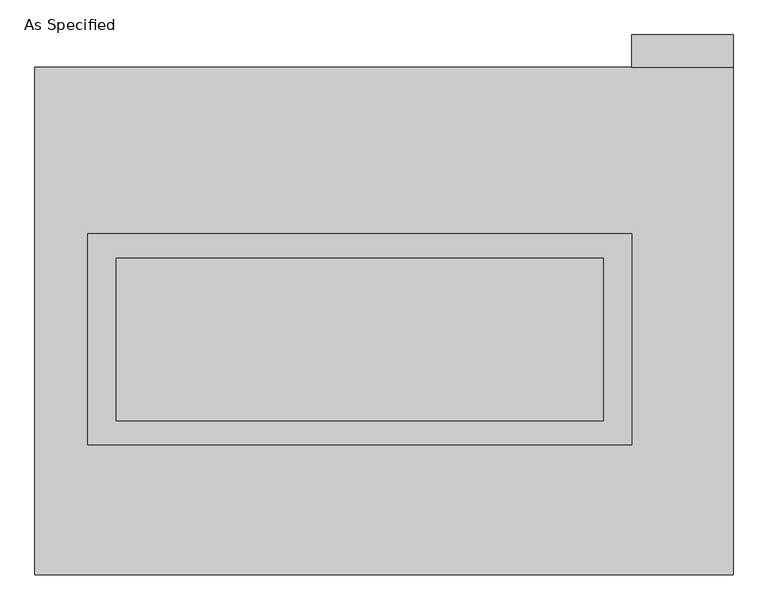
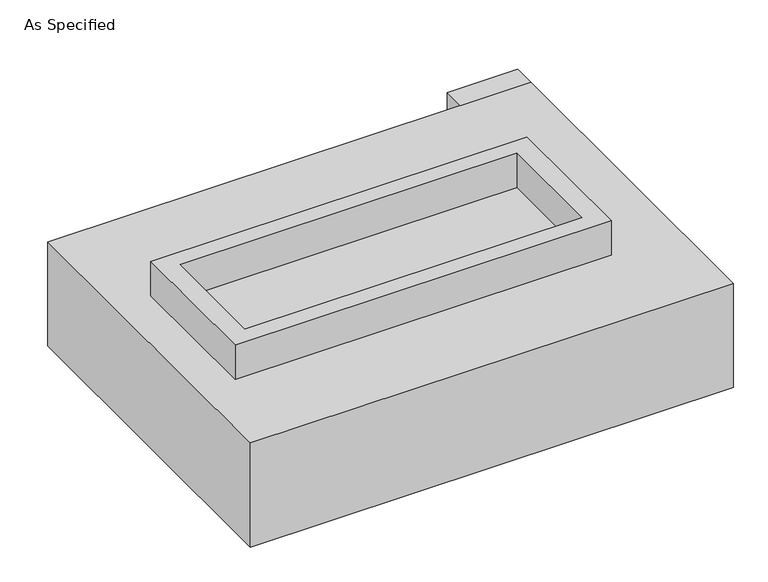
"""IFC4 building model written with IfcOpenShell, lengths in millimetres: proxy geometry, As Specified."""

import ifcopenshell
import ifcopenshell.guid

model = None  # the IFC model being written
_history = None  # IfcOwnerHistory: only IFC2X3 demands one
_inside = {}  # id of a spatial element -> (the spatial element, [elements in it])
_under = {}  # id of a project, library or spatial element -> (it, [spatial elements below it])
_declared = {}  # id of a project -> (the project, [libraries it declares])
_typed = {}  # id of a type object -> (the type object, [elements of that type])
_made_of = {}  # id of a material, layer set ... -> (it, [elements and type objects made of it])


def new_model(schema):
    """Start an empty IFC model of exactly this schema.

    Asked for "IFC4X3", IfcOpenShell would pick the latest addendum, in which some entities
    have other attributes; the version numbers below select the first issue.
    IFC2X3 requires an IfcOwnerHistory on every rooted entity: one is made here for all.
    """
    global model, _history
    if schema == "IFC4X3":
        model = ifcopenshell.file(schema_version=(4, 3, 0, 0))
    else:
        model = ifcopenshell.file(schema=schema)
    _inside.clear()
    _under.clear()
    _declared.clear()
    _typed.clear()
    _made_of.clear()
    _history = None
    if model.schema == "IFC2X3":
        org = make("IfcOrganization", Name="unknown")
        user = make(
            "IfcPersonAndOrganization",
            ThePerson=make("IfcPerson", FamilyName="unknown"),
            TheOrganization=org,
        )
        app = make(
            "IfcApplication",
            ApplicationDeveloper=org,
            Version="unknown",
            ApplicationFullName="unknown",
            ApplicationIdentifier="unknown",
        )
        _history = make(
            "IfcOwnerHistory",
            OwningUser=user,
            OwningApplication=app,
            ChangeAction="ADDED",
            CreationDate=0,
        )
    return model


def make(cls, **values):
    """One entity of the class cls with the attributes given. An attribute that is None is left unset."""
    return model.create_entity(
        cls, **{name: value for name, value in values.items() if value is not None}
    )


def rooted(cls, **values):
    """An entity with a GlobalId (a new one), such as an element, a storey or a relation."""
    return make(cls, GlobalId=ifcopenshell.guid.new(), OwnerHistory=_history, **values)


def si_unit(unit_type, name, prefix=None):
    """IfcSIUnit, for example si_unit("LENGTHUNIT", "METRE", prefix="MILLI")."""
    return make("IfcSIUnit", UnitType=unit_type, Prefix=prefix, Name=name)


def assignment(units):
    """IfcUnitAssignment: the units of a project."""
    return None if units is None else make("IfcUnitAssignment", Units=units)


def point(xyz):
    """IfcCartesianPoint."""
    return None if xyz is None else make("IfcCartesianPoint", Coordinates=xyz)


def direction(xyz):
    """IfcDirection."""
    return None if xyz is None else make("IfcDirection", DirectionRatios=xyz)


def frame(location, z_axis=None, x_axis=None):
    """IfcAxis2Placement3D, a coordinate frame: its origin and axes. An axis left out is left unset."""
    return make(
        "IfcAxis2Placement3D",
        Location=point(location),
        Axis=direction(z_axis),
        RefDirection=direction(x_axis),
    )


def origin():
    """The frame at (0, 0, 0) with its axes left unset."""
    return frame((0.0, 0.0, 0.0))


def place(relative_to, where):
    """IfcLocalPlacement: puts the frame where relative to a parent placement (None: the world)."""
    return make(
        "IfcLocalPlacement", PlacementRelTo=relative_to, RelativePlacement=where
    )


def context(
    kind, dimensions, precision=None, world=None, true_north=None, identifier=None
):
    """IfcGeometricRepresentationContext, for example the 3D "Model" context."""
    return make(
        "IfcGeometricRepresentationContext",
        ContextIdentifier=identifier,
        ContextType=kind,
        CoordinateSpaceDimension=dimensions,
        Precision=precision,
        WorldCoordinateSystem=world,
        TrueNorth=true_north,
    )


def project(units=None, contexts=None):
    """IfcProject with its units and contexts."""
    return rooted(
        "IfcProject",
        Name="project",
        RepresentationContexts=contexts,
        UnitsInContext=assignment(units),
    )


def spatial(cls, under=None, at=None, **own):
    """A site, building, storey or space (cls), placed at a placement, below another one or the project."""
    s = rooted(cls, ObjectPlacement=at, **own)
    if under is not None:
        _under.setdefault(under.id(), (under, []))[1].append(s)
    return s


def polyline(points):
    """IfcPolyline through the points."""
    return make("IfcPolyline", Points=[point(p) for p in points])


def outline(outer, holes=None, kind="AREA"):
    """IfcArbitraryClosedProfileDef: a profile drawn as a closed curve; with holes, ...WithVoids."""
    if holes is None:
        return make("IfcArbitraryClosedProfileDef", ProfileType=kind, OuterCurve=outer)
    return make(
        "IfcArbitraryProfileDefWithVoids",
        ProfileType=kind,
        OuterCurve=outer,
        InnerCurves=holes,
    )


def extrude(swept, where, along, depth):
    """IfcExtrudedAreaSolid: the profile swept, set in the frame where, extruded along a direction by depth."""
    return make(
        "IfcExtrudedAreaSolid",
        SweptArea=swept,
        Position=where,
        ExtrudedDirection=direction(along),
        Depth=depth,
    )


def faces_of(points, faces, orient=None, outer=None):
    """IfcFace entities. A face is a list of loops; a loop is a list of indices into points, from 0.

    orient and outer hold one flag for each loop. By default every Orientation is true, the
    first loop of a face is its IfcFaceOuterBound and the others are IfcFaceBound.
    """
    made = []
    for i, loops in enumerate(faces):
        bounds = []
        for j, loop in enumerate(loops):
            is_outer = j == 0 if outer is None else outer[i][j]
            bounds.append(
                make(
                    "IfcFaceOuterBound" if is_outer else "IfcFaceBound",
                    Bound=make("IfcPolyLoop", Polygon=[points[k] for k in loop]),
                    Orientation=True if orient is None else orient[i][j],
                )
            )
        made.append(make("IfcFace", Bounds=bounds))
    return made


def faceted_brep(points, faces, orient=None, outer=None, voids=None):
    """IfcFacetedBrep: a solid bounded by flat faces; with voids (closed shells), ...WithVoids."""
    shared = [point(p) for p in points]
    hull = make("IfcClosedShell", CfsFaces=faces_of(shared, faces, orient, outer))
    if voids is None:
        return make("IfcFacetedBrep", Outer=hull)
    return make(
        "IfcFacetedBrepWithVoids",
        Outer=hull,
        Voids=[
            make(cls, CfsFaces=faces_of(shared, fs, o, b)) for cls, fs, o, b in voids
        ],
    )


def shape(context_of_items, identifier, shape_type, items):
    """IfcShapeRepresentation: the items that make up one representation, for example the "Body"."""
    return make(
        "IfcShapeRepresentation",
        ContextOfItems=context_of_items,
        RepresentationIdentifier=identifier,
        RepresentationType=shape_type,
        Items=items,
    )


def source(mapping_origin, context_of_items, identifier, shape_type, items):
    """IfcRepresentationMap: a shape defined once, which mapped items show again and again."""
    return make(
        "IfcRepresentationMap",
        MappingOrigin=mapping_origin,
        MappedRepresentation=shape(context_of_items, identifier, shape_type, items),
    )


def transform(
    local_origin,
    x_axis=None,
    y_axis=None,
    z_axis=None,
    scale=None,
    scale2=None,
    scale3=None,
    uniform=True,
):
    """IfcCartesianTransformationOperator3D, or its non-uniform kind. x_axis, y_axis, z_axis: its Axis1, 2, 3."""
    if uniform:
        return make(
            "IfcCartesianTransformationOperator3D",
            Axis1=direction(x_axis),
            Axis2=direction(y_axis),
            LocalOrigin=point(local_origin),
            Scale=scale,
            Axis3=direction(z_axis),
        )
    return make(
        "IfcCartesianTransformationOperator3DnonUniform",
        Axis1=direction(x_axis),
        Axis2=direction(y_axis),
        LocalOrigin=point(local_origin),
        Scale=scale,
        Axis3=direction(z_axis),
        Scale2=scale2,
        Scale3=scale3,
    )


def mapped(mapping_source, mapping_target):
    """IfcMappedItem: shows the shape of a source again, moved by a transform."""
    return make(
        "IfcMappedItem", MappingSource=mapping_source, MappingTarget=mapping_target
    )


def made_of(thing, what):
    """Note that an element or type object is made of a material, layer set ...; save() writes the relation."""
    if what is not None:
        _made_of.setdefault(what.id(), (what, []))[1].append(thing)
    return thing


def element(
    cls,
    number,
    at=None,
    inside=None,
    cuts=None,
    type_object=None,
    material=None,
    context=None,
    identifier="Body",
    shape_type=None,
    held_by="IfcProductDefinitionShape",
    body=None,
    shapes=None,
    **own,
):
    """One element of the class cls, such as IfcWall. Its Tag is "e" and its number.

    at: its placement. inside: the storey or other place that contains it. cuts: it is an
    opening in that element (IfcRelVoidsElement). A single representation is given by context,
    identifier, shape_type and body (its items); several are given by shapes. held_by: the class
    of the entity that holds the representations. save() writes the other relations.
    """
    e = rooted(cls, Tag="e%d" % number, ObjectPlacement=at, **own)
    if body is not None:
        shapes = [shape(context, identifier, shape_type, body)]
    if shapes is not None:
        e.Representation = make(held_by, Representations=shapes)
    if inside is not None:
        _inside.setdefault(inside.id(), (inside, []))[1].append(e)
    if cuts is not None:
        rooted(
            "IfcRelVoidsElement", RelatingBuildingElement=cuts, RelatedOpeningElement=e
        )
    if type_object is not None:
        _typed.setdefault(type_object.id(), (type_object, []))[1].append(e)
    return made_of(e, material)


def aggregate(whole, parts):
    """IfcRelAggregates: a whole, such as a stair, and the parts it consists of."""
    return rooted("IfcRelAggregates", RelatingObject=whole, RelatedObjects=parts)


def save(model, path):
    """Write the relations noted so far, then the file.

    IfcRelAggregates (storeys below a building ...), IfcRelContainedInSpatialStructure (elements
    in a storey), IfcRelDefinesByType, IfcRelAssociatesMaterial and IfcRelDeclares: one each for
    every whole, place, type object, material and project.
    """
    for whole, parts in _under.values():
        aggregate(whole, parts)
    for where, things in _inside.values():
        rooted(
            "IfcRelContainedInSpatialStructure",
            RelatedElements=things,
            RelatingStructure=where,
        )
    for kind, things in _typed.values():
        rooted("IfcRelDefinesByType", RelatedObjects=things, RelatingType=kind)
    for what, things in _made_of.values():
        rooted("IfcRelAssociatesMaterial", RelatedObjects=things, RelatingMaterial=what)
    for by, libraries in _declared.values():
        rooted("IfcRelDeclares", RelatingContext=by, RelatedDefinitions=libraries)
    model.write(path)


def as_specified_57f6d878(model_context):
    return source(origin(), model_context, "Body", "SolidModel", [
        extrude(outline(polyline([(850.9, 273.05), (850.9, -387.35), (-850.9, -387.35), (-850.9, 273.05), (850.9, 273.05)]), holes=[polyline([(762.0, 196.85), (-762.0, 196.85), (-762.0, -311.15), (762.0, -311.15), (762.0, 196.85)])]), frame((0.0, 0.0, -25.4), z_axis=(0.0, 0.0, 1.0), x_axis=(1.0, 0.0, 0.0)), (0.0, 0.0, 1.0), 165.1),
        extrude(outline(polyline([(850.9, 793.75), (850.9, 895.35), (1168.4, 895.35), (1168.4, 793.75), (850.9, 793.75)])), frame((0.0, 0.0, -523.875), z_axis=(0.0, 0.0, 1.0), x_axis=(1.0, 0.0, 0.0)), (0.0, 0.0, 1.0), 498.475),
        extrude(outline(polyline([(762.0, 196.85), (762.0, -311.15), (-762.0, -311.15), (-762.0, 196.85), (762.0, 196.85)])), frame((0.0, 0.0, -30.3609375), z_axis=(0.0, 0.0, 1.0), x_axis=(1.0, 0.0, 0.0)), (0.0, 0.0, 1.0), 4.9609375),
        faceted_brep([(1168.4, -793.75, -523.875), (-1016.0, -793.75, -523.875), (-1016.0, 793.75, -523.875), (1168.4, 793.75, -523.875), (1168.4, 793.75, -25.4), (-1016.0, 793.75, -25.4), (-1016.0, -793.75, -25.4), (1168.4, -793.75, -25.4), (850.9, 273.05, -25.4), (850.9, -387.35, -25.4), (-850.9, -387.35, -25.4), (-850.9, 273.05, -25.4), (850.9, 273.05, -498.475), (-850.9, 273.05, -498.475), (-850.9, -387.35, -498.475), (850.9, -387.35, -498.475)], [[[0, 1, 2, 3]], [[4, 5, 6, 7], [8, 9, 10, 11]], [[3, 2, 5, 4]], [[2, 1, 6, 5]], [[0, 3, 4, 7]], [[12, 13, 14, 15]], [[14, 13, 11, 10]], [[13, 12, 8, 11]], [[12, 15, 9, 8]], [[10, 9, 15, 14]], [[1, 0, 7, 6]]]),
    ])


if __name__ == "__main__":
    model = new_model("IFC4")
    model_context = context("Model", 3, world=origin())
    ifc_project = project(units=[si_unit("LENGTHUNIT", "METRE", prefix="MILLI")], contexts=[model_context])
    site = spatial("IfcSite", under=ifc_project)
    building = spatial("IfcBuilding", under=site)
    placement = place(None, origin())
    as_specified_shape = as_specified_57f6d878(model_context)
    element("IfcBuildingElementProxy", 1, Name="As Specified", ObjectType="As Specified", at=placement, inside=building, context=model_context, shape_type="MappedRepresentation", body=[
        mapped(as_specified_shape, transform((0.0, 0.0, 0.0), x_axis=(1.0, 0.0, 0.0), y_axis=(0.0, 1.0, 0.0), z_axis=(0.0, 0.0, 1.0))),
    ])
    save(model, "model.ifc")
